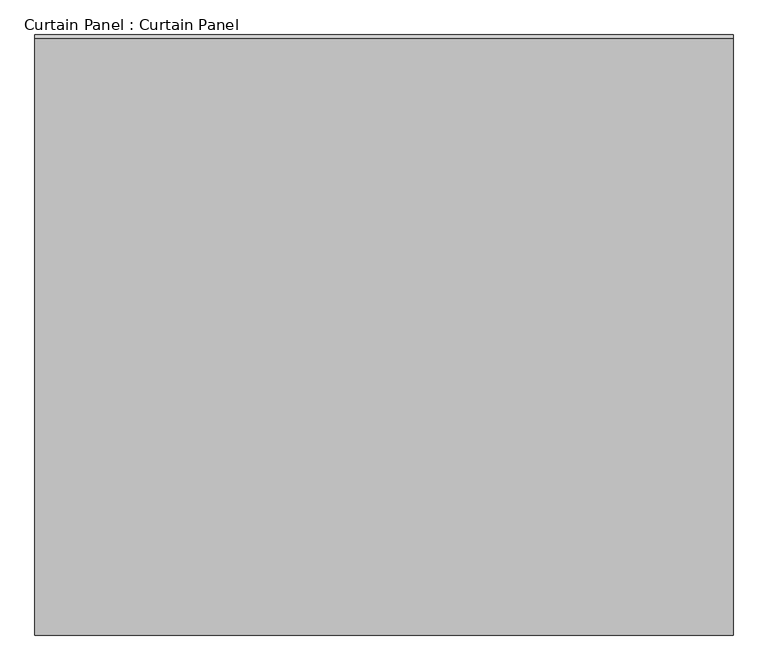
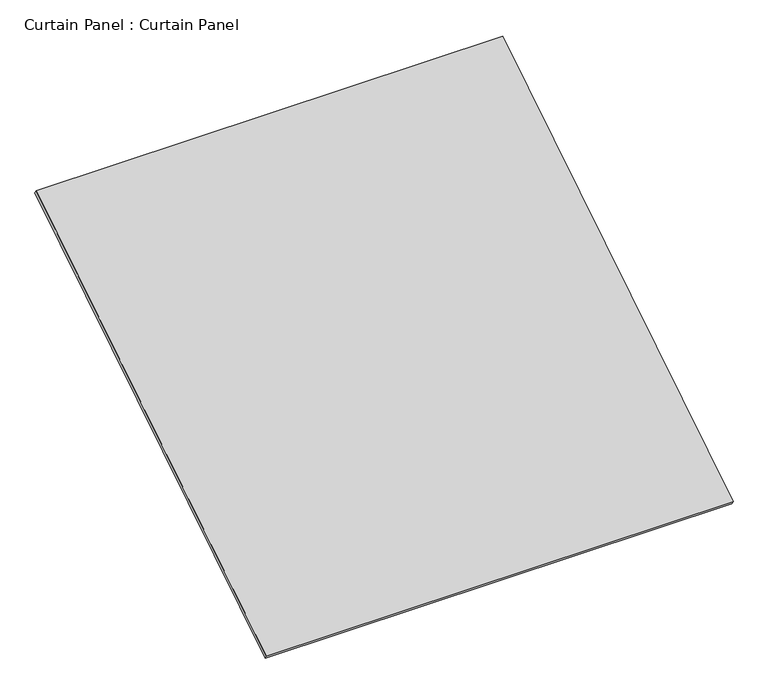
"""IFC4 building model written with IfcOpenShell, lengths in millimetres: plate geometry, Curtain Panel : Curtain Panel."""

from ifc_helpers import new_model, si_unit, frame, origin, place, context, project, spatial, polyline, outline, extrude, source, transform, mapped, element, save


def curtain_panel_curtain_panel_e63d2fb2(model_context):
    return source(origin(), model_context, "Body", "SweptSolid", [
        extrude(outline(polyline([(-63.5, 0.0), (-63.5, -3013.0749999), (-3048.0, -3013.0749999), (-3048.0, 0.0), (-63.5, 0.0)])), frame((-120718.6430895, 1236.2760673, 10424.4040613), z_axis=(0.0, -0.5318918435658209, 0.8468122972348432), x_axis=(-1.0, 0.0, 0.0)), (0.0, 0.0, 1.0), 25.4),
    ])


if __name__ == "__main__":
    model = new_model("IFC4")
    model_context = context("Model", 3, world=origin())
    ifc_project = project(units=[si_unit("LENGTHUNIT", "METRE", prefix="MILLI")], contexts=[model_context])
    site = spatial("IfcSite", under=ifc_project)
    building = spatial("IfcBuilding", under=site)
    placement = place(None, origin())
    curtain_panel_curtain_panel_shape = curtain_panel_curtain_panel_e63d2fb2(model_context)
    element("IfcPlate", 1, ObjectType="Curtain Panel : Curtain Panel", at=placement, inside=building, context=model_context, shape_type="MappedRepresentation", body=[
        mapped(curtain_panel_curtain_panel_shape, transform((0.0, 0.0, 0.0), x_axis=(1.0, 0.0, 0.0), y_axis=(0.0, 1.0, 0.0), z_axis=(0.0, 0.0, 1.0))),
    ])
    save(model, "model.ifc")
